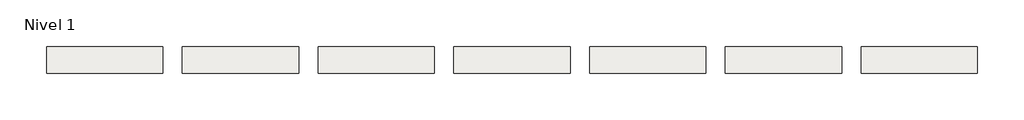
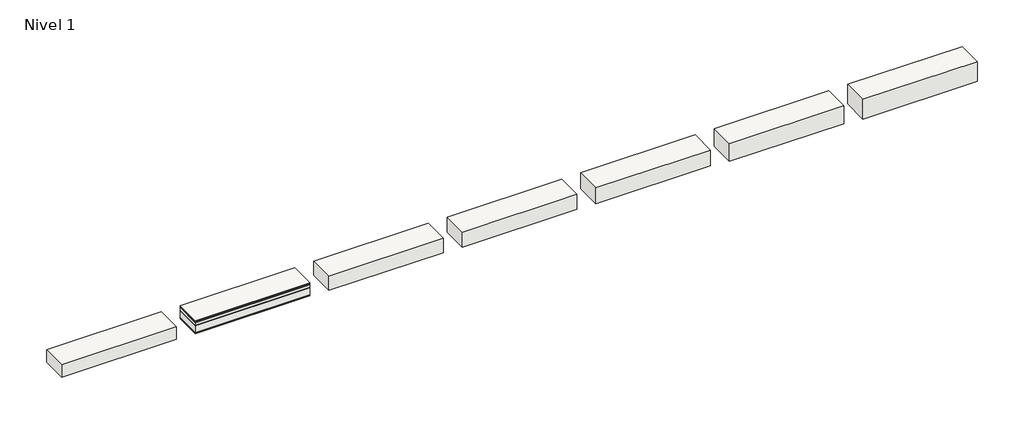
# One storey: 7 slabs.
"""IFC4 building model written with IfcOpenShell, lengths in millimetres."""

from ifc_helpers import new_model, si_unit, frame, origin, place, context, project, spatial, polyline, outline, extrude, element, save

model = new_model("IFC4")

# Units and contexts
model_context = context("Model", 3, world=origin())
ifc_project = project(units=[si_unit("LENGTHUNIT", "METRE", prefix="MILLI")], contexts=[model_context])

# Site, building, storey
site = spatial("IfcSite", under=ifc_project)
building = spatial("IfcBuilding", under=site)
storey = spatial("IfcBuildingStorey", under=building, Name="Nivel 1", Elevation=0.0)

# Slabs
placement = place(None, origin())
element("IfcSlab", 1, at=placement, inside=storey, context=model_context, shape_type="SweptSolid", body=[
    extrude(outline(polyline([(1184.4345966, -2901.6608764), (1184.4345966, -3451.6608764), (-1215.5654034, -3451.6608764), (-1215.5654034, -2901.6608764), (1184.4345966, -2901.6608764)])), frame((0.0, 0.0, -20.0), z_axis=(0.0, 0.0, 1.0), x_axis=(1.0, 0.0, 0.0)), (0.0, 0.0, 1.0), 20.0),
    extrude(outline(polyline([(1184.4345966, -2901.6608764), (1184.4345966, -3451.6608764), (-1215.5654034, -3451.6608764), (-1215.5654034, -2901.6608764), (1184.4345966, -2901.6608764)])), frame((0.0, 0.0, -30.0), z_axis=(0.0, 0.0, 1.0), x_axis=(1.0, 0.0, 0.0)), (0.0, 0.0, 1.0), 10.0),
    extrude(outline(polyline([(1184.4345966, -2901.6608764), (1184.4345966, -3451.6608764), (-1215.5654034, -3451.6608764), (-1215.5654034, -2901.6608764), (1184.4345966, -2901.6608764)])), frame((0.0, 0.0, -42.5), z_axis=(0.0, 0.0, 1.0), x_axis=(1.0, 0.0, 0.0)), (0.0, 0.0, 1.0), 12.5),
    extrude(outline(polyline([(1184.4345966, -2901.6608764), (1184.4345966, -3451.6608764), (-1215.5654034, -3451.6608764), (-1215.5654034, -2901.6608764), (1184.4345966, -2901.6608764)])), frame((0.0, 0.0, -102.5), z_axis=(0.0, 0.0, 1.0), x_axis=(1.0, 0.0, 0.0)), (0.0, 0.0, 1.0), 60.0),
    extrude(outline(polyline([(1184.4345966, -2901.6608764), (1184.4345966, -3451.6608764), (-1215.5654034, -3451.6608764), (-1215.5654034, -2901.6608764), (1184.4345966, -2901.6608764)])), frame((0.0, 0.0, -115.0), z_axis=(0.0, 0.0, 1.0), x_axis=(1.0, 0.0, 0.0)), (0.0, 0.0, 1.0), 12.5),
    extrude(outline(polyline([(1184.4345966, -2901.6608764), (1184.4345966, -3451.6608764), (-1215.5654034, -3451.6608764), (-1215.5654034, -2901.6608764), (1184.4345966, -2901.6608764)])), frame((0.0, 0.0, -265.0), z_axis=(0.0, 0.0, 1.0), x_axis=(1.0, 0.0, 0.0)), (0.0, 0.0, 1.0), 150.0),
    extrude(outline(polyline([(1184.4345966, -2901.6608764), (1184.4345966, -3451.6608764), (-1215.5654034, -3451.6608764), (-1215.5654034, -2901.6608764), (1184.4345966, -2901.6608764)])), frame((0.0, 0.0, -277.5), z_axis=(0.0, 0.0, 1.0), x_axis=(1.0, 0.0, 0.0)), (0.0, 0.0, 1.0), 12.5),
    extrude(outline(polyline([(1184.4345966, -2901.6608764), (1184.4345966, -3451.6608764), (-1215.5654034, -3451.6608764), (-1215.5654034, -2901.6608764), (1184.4345966, -2901.6608764)])), frame((0.0, 0.0, -292.5), z_axis=(0.0, 0.0, 1.0), x_axis=(1.0, 0.0, 0.0)), (0.0, 0.0, 1.0), 15.0),
])
element("IfcSlab", 2, at=placement, inside=storey, context=model_context, shape_type="SweptSolid", body=[
    extrude(outline(polyline([(-1615.5654034, -2901.6608764), (-1615.5654034, -3451.6608764), (-4015.5654034, -3451.6608764), (-4015.5654034, -2901.6608764), (-1615.5654034, -2901.6608764)])), frame((0.0, 0.0, -272.5), z_axis=(0.0, 0.0, 1.0), x_axis=(1.0, 0.0, 0.0)), (0.0, 0.0, 1.0), 272.5),
])
element("IfcSlab", 3, at=placement, inside=storey, context=model_context, shape_type="SweptSolid", body=[
    extrude(outline(polyline([(3984.4345966, -2901.6608764), (3984.4345966, -3451.6608764), (1584.4345966, -3451.6608764), (1584.4345966, -2901.6608764), (3984.4345966, -2901.6608764)])), frame((0.0, 0.0, -312.5), z_axis=(0.0, 0.0, 1.0), x_axis=(1.0, 0.0, 0.0)), (0.0, 0.0, 1.0), 312.5),
])
element("IfcSlab", 4, at=placement, inside=storey, context=model_context, shape_type="SweptSolid", body=[
    extrude(outline(polyline([(6784.4345966, -2901.6608764), (6784.4345966, -3451.6608764), (4384.4345966, -3451.6608764), (4384.4345966, -2901.6608764), (6784.4345966, -2901.6608764)])), frame((0.0, 0.0, -332.5), z_axis=(0.0, 0.0, 1.0), x_axis=(1.0, 0.0, 0.0)), (0.0, 0.0, 1.0), 332.5),
])
element("IfcSlab", 5, at=placement, inside=storey, context=model_context, shape_type="SweptSolid", body=[
    extrude(outline(polyline([(9584.4345966, -2901.6608764), (9584.4345966, -3451.6608764), (7184.4345966, -3451.6608764), (7184.4345966, -2901.6608764), (9584.4345966, -2901.6608764)])), frame((0.0, 0.0, -352.5), z_axis=(0.0, 0.0, 1.0), x_axis=(1.0, 0.0, 0.0)), (0.0, 0.0, 1.0), 352.5),
])
element("IfcSlab", 6, at=placement, inside=storey, context=model_context, shape_type="SweptSolid", body=[
    extrude(outline(polyline([(12384.4345966, -2901.6608764), (12384.4345966, -3451.6608764), (9984.4345966, -3451.6608764), (9984.4345966, -2901.6608764), (12384.4345966, -2901.6608764)])), frame((0.0, 0.0, -392.5), z_axis=(0.0, 0.0, 1.0), x_axis=(1.0, 0.0, 0.0)), (0.0, 0.0, 1.0), 392.5),
])
element("IfcSlab", 7, at=placement, inside=storey, context=model_context, shape_type="SweptSolid", body=[
    extrude(outline(polyline([(15184.4345966, -2901.6608764), (15184.4345966, -3451.6608764), (12784.4345966, -3451.6608764), (12784.4345966, -2901.6608764), (15184.4345966, -2901.6608764)])), frame((0.0, 0.0, -432.5), z_axis=(0.0, 0.0, 1.0), x_axis=(1.0, 0.0, 0.0)), (0.0, 0.0, 1.0), 432.5),
])

save(model, "model.ifc")
